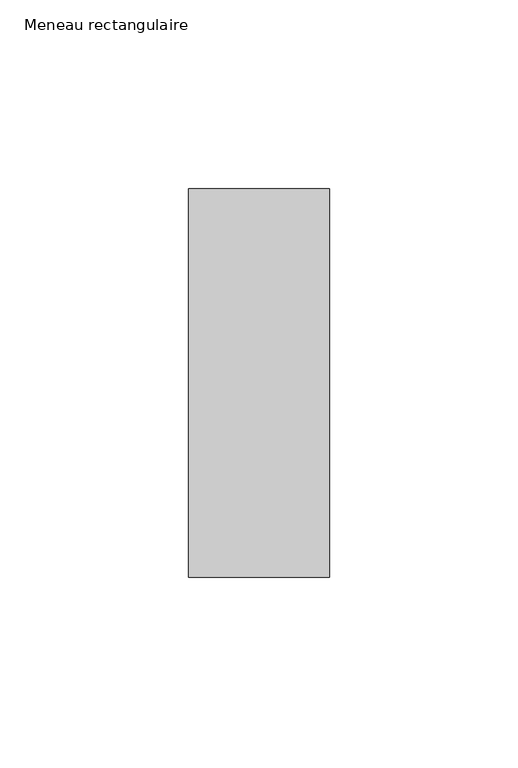
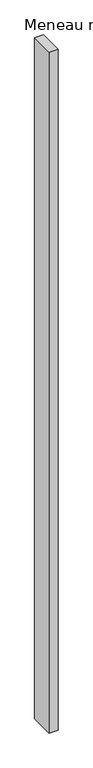
"""IFC4 building model written with IfcOpenShell, lengths in millimetres: member geometry, Meneau rectangulaire."""

from ifc_helpers import new_model, si_unit, frame, origin, place, context, project, spatial, polyline, outline, extrude, source, transform, mapped, element, save


def meneau_rectangulaire_66196407(model_context):
    return source(origin(), model_context, "Body", "SweptSolid", [
        extrude(outline(polyline([(0.0, -51.5), (-37.3886182, -51.5), (-37.3886182, 51.5), (0.0, 51.5), (0.0, -51.5)])), frame((0.0, 0.0, -3000.0), z_axis=(0.0, 0.0, 1.0), x_axis=(1.0, 0.0, 0.0)), (0.0, 0.0, 1.0), 3000.0),
    ])


if __name__ == "__main__":
    model = new_model("IFC4")
    model_context = context("Model", 3, world=origin())
    ifc_project = project(units=[si_unit("LENGTHUNIT", "METRE", prefix="MILLI")], contexts=[model_context])
    site = spatial("IfcSite", under=ifc_project)
    building = spatial("IfcBuilding", under=site)
    placement = place(None, origin())
    meneau_rectangulaire_shape = meneau_rectangulaire_66196407(model_context)
    element("IfcMember", 1, ObjectType="Meneau rectangulaire", at=placement, inside=building, context=model_context, shape_type="MappedRepresentation", body=[
        mapped(meneau_rectangulaire_shape, transform((0.0, 0.0, 0.0), x_axis=(1.0, 0.0, 0.0), y_axis=(0.0, 1.0, 0.0), z_axis=(0.0, 0.0, 1.0))),
    ])
    save(model, "model.ifc")
